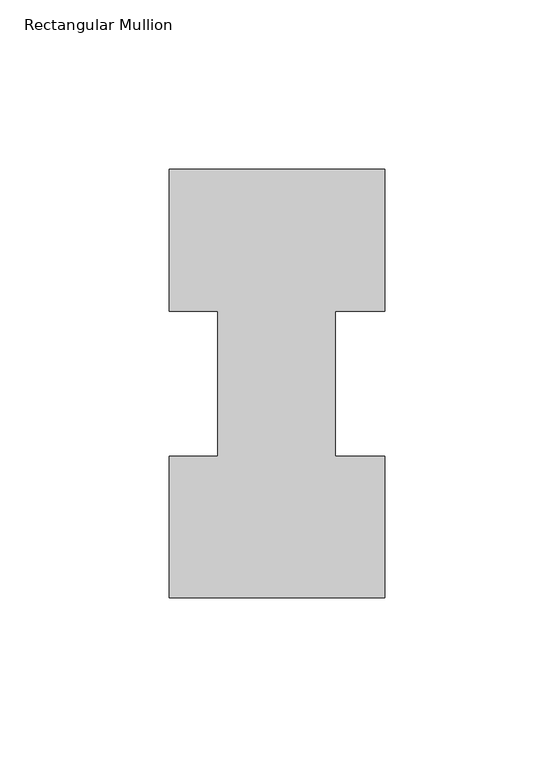
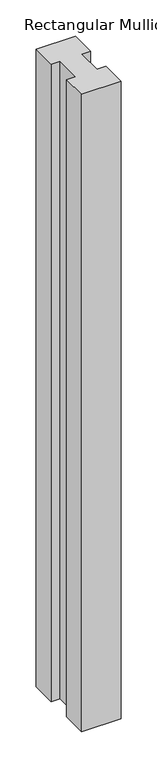
"""IFC4 building model written with IfcOpenShell, lengths in millimetres: member geometry, Rectangular Mullion."""

from ifc_helpers import new_model, si_unit, frame, origin, place, context, project, spatial, polyline, outline, extrude, source, transform, mapped, element, save


def rectangular_mullion_481091dd(model_context):
    return source(origin(), model_context, "Body", "SweptSolid", [
        extrude(outline(polyline([(-63.5, -0.0373062), (-63.5, 41.7837937), (-49.2125, 41.7837937), (-49.2125, 84.6335938), (-63.5, 84.6335938), (-63.5, 126.4546937), (0.0, 126.4546938), (0.0, 84.6335938), (-14.4999808, 84.6335938), (-14.4999808, 41.7837937), (0.0, 41.7837937), (0.0, -0.0373062), (-63.5, -0.0373062)])), frame((0.0, 0.0, -1079.2086938), z_axis=(0.0, 0.0, 1.0), x_axis=(1.0, 0.0, 0.0)), (0.0, 0.0, 1.0), 1079.2086938),
    ])


if __name__ == "__main__":
    model = new_model("IFC4")
    model_context = context("Model", 3, world=origin())
    ifc_project = project(units=[si_unit("LENGTHUNIT", "METRE", prefix="MILLI")], contexts=[model_context])
    site = spatial("IfcSite", under=ifc_project)
    building = spatial("IfcBuilding", under=site)
    placement = place(None, origin())
    rectangular_mullion_shape = rectangular_mullion_481091dd(model_context)
    element("IfcMember", 1, ObjectType="Rectangular Mullion", at=placement, inside=building, context=model_context, shape_type="MappedRepresentation", body=[
        mapped(rectangular_mullion_shape, transform((0.0, 0.0, 0.0), x_axis=(1.0, 0.0, 0.0), y_axis=(0.0, 1.0, 0.0), z_axis=(0.0, 0.0, 1.0))),
    ])
    save(model, "model.ifc")
